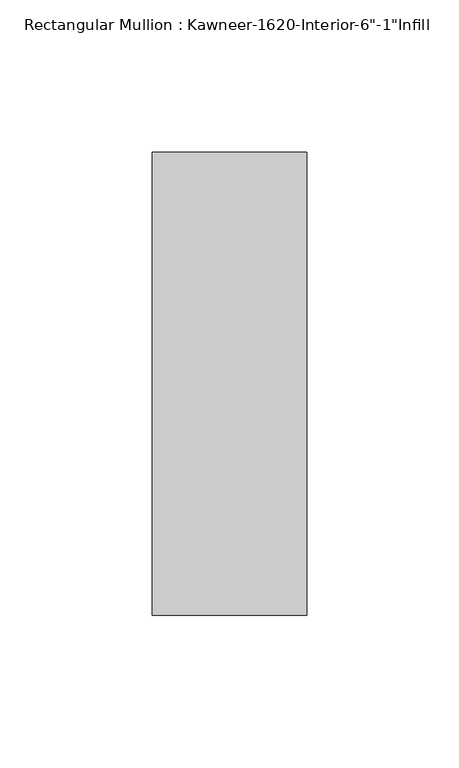
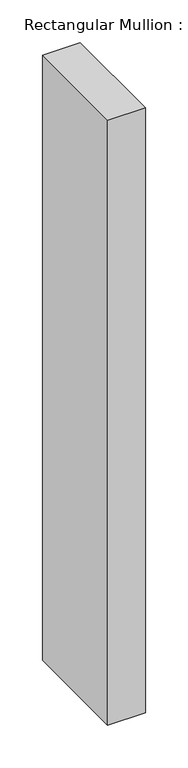
"""IFC4 building model written with IfcOpenShell, lengths in millimetres: member geometry."""

from ifc_helpers import new_model, si_unit, frame, origin, place, context, project, spatial, polyline, outline, extrude, source, transform, mapped, element, save


def member_2cb01f79(model_context):
    return source(origin(), model_context, "Body", "SweptSolid", [
        extrude(outline(polyline([(25.4, 114.3), (25.4, -38.1), (-25.4, -38.1), (-25.4, 114.3), (25.4, 114.3)])), frame((0.0, 0.0, -863.6), z_axis=(0.0, 0.0, 1.0), x_axis=(1.0, 0.0, 0.0)), (0.0, 0.0, 1.0), 863.6),
    ])


if __name__ == "__main__":
    model = new_model("IFC4")
    model_context = context("Model", 3, world=origin())
    ifc_project = project(units=[si_unit("LENGTHUNIT", "METRE", prefix="MILLI")], contexts=[model_context])
    site = spatial("IfcSite", under=ifc_project)
    building = spatial("IfcBuilding", under=site)
    placement = place(None, origin())
    member_shape = member_2cb01f79(model_context)
    element("IfcMember", 1, ObjectType="Rectangular Mullion : Kawneer-1620-Interior-6\"-1\"Infill", at=placement, inside=building, context=model_context, shape_type="MappedRepresentation", body=[
        mapped(member_shape, transform((0.0, 0.0, 0.0), x_axis=(1.0, 0.0, 0.0), y_axis=(0.0, 1.0, 0.0), z_axis=(0.0, 0.0, 1.0))),
    ])
    save(model, "model.ifc")
